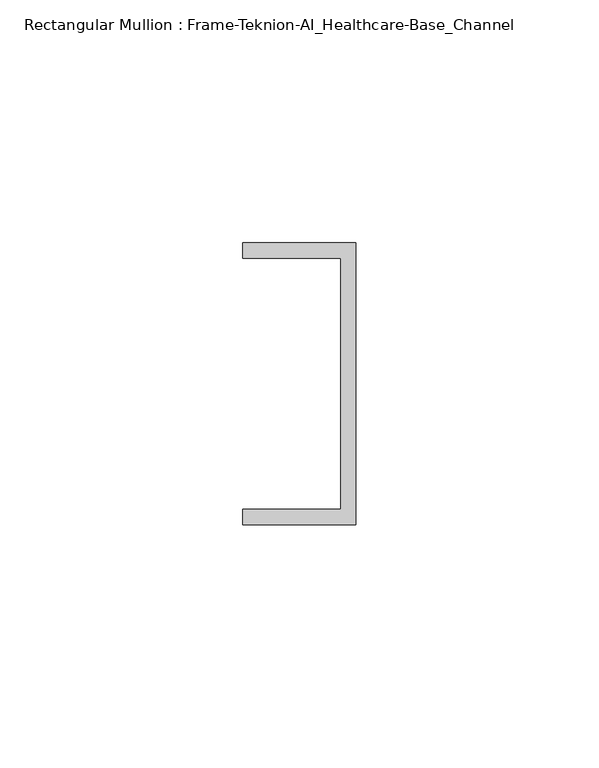
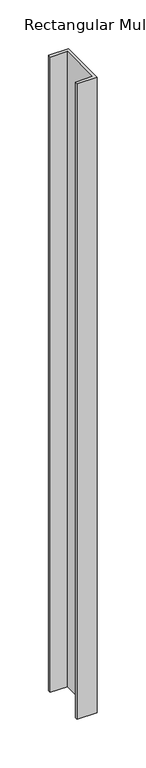
"""IFC4 building model written with IfcOpenShell, lengths in millimetres: member geometry, Rectangular Mullion : Frame-Teknion-AI_Healthcare-Base_Channel."""

from ifc_helpers import new_model, si_unit, frame, origin, place, context, project, spatial, polyline, outline, extrude, source, transform, mapped, element, save


def rectangular_mullion_frame_teknion_ai_healthcare_base_channel_70bfe415(model_context):
    return source(origin(), model_context, "Body", "SweptSolid", [
        extrude(outline(polyline([(0.0, 29.0214844), (0.0, -29.0214844), (-23.3164063, -29.0214844), (-23.3164063, -25.8464844), (-3.175, -25.8464844), (-3.175, 25.8464844), (-23.3164063, 25.8464844), (-23.3164063, 29.0214844), (0.0, 29.0214844)])), frame((0.0, 0.0, -792.7505611), z_axis=(0.0, 0.0, 1.0), x_axis=(1.0, 0.0, 0.0)), (0.0, 0.0, 1.0), 792.7505611),
    ])


if __name__ == "__main__":
    model = new_model("IFC4")
    model_context = context("Model", 3, world=origin())
    ifc_project = project(units=[si_unit("LENGTHUNIT", "METRE", prefix="MILLI")], contexts=[model_context])
    site = spatial("IfcSite", under=ifc_project)
    building = spatial("IfcBuilding", under=site)
    placement = place(None, origin())
    rectangular_mullion_frame_teknion_ai_healthcare_base_channel_shape = rectangular_mullion_frame_teknion_ai_healthcare_base_channel_70bfe415(model_context)
    element("IfcMember", 1, ObjectType="Rectangular Mullion : Frame-Teknion-AI_Healthcare-Base_Channel", at=placement, inside=building, context=model_context, shape_type="MappedRepresentation", body=[
        mapped(rectangular_mullion_frame_teknion_ai_healthcare_base_channel_shape, transform((0.0, 0.0, 0.0), x_axis=(1.0, 0.0, 0.0), y_axis=(0.0, 1.0, 0.0), z_axis=(0.0, 0.0, 1.0))),
    ])
    save(model, "model.ifc")
